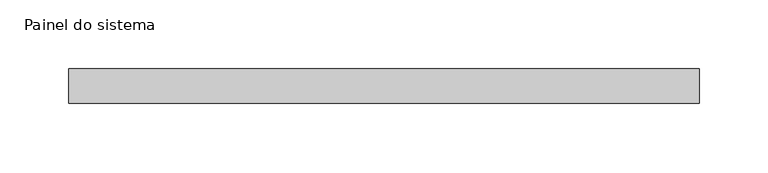
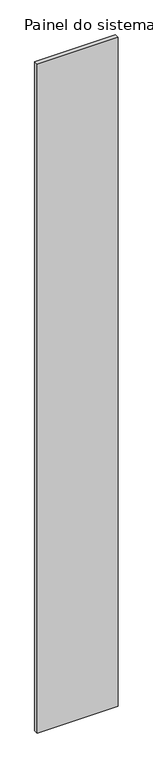
"""IFC4 building model written with IfcOpenShell, lengths in millimetres: plate geometry, Painel do sistema."""

from ifc_helpers import new_model, si_unit, origin, origin_with_axes, place, context, project, spatial, polyline, outline, extrude, source, transform, mapped, element, save


def painel_do_sistema_67e0eee3(model_context):
    return source(origin(), model_context, "Body", "SweptSolid", [
        extrude(outline(polyline([(229.0499998, 24.5), (-229.0499998, 24.5), (-229.0499998, 49.5), (229.0499998, 49.5), (229.0499998, 24.5)])), origin_with_axes(), (0.0, 0.0, 1.0), 4000.0),
    ])


if __name__ == "__main__":
    model = new_model("IFC4")
    model_context = context("Model", 3, world=origin())
    ifc_project = project(units=[si_unit("LENGTHUNIT", "METRE", prefix="MILLI")], contexts=[model_context])
    site = spatial("IfcSite", under=ifc_project)
    building = spatial("IfcBuilding", under=site)
    placement = place(None, origin())
    painel_do_sistema_shape = painel_do_sistema_67e0eee3(model_context)
    element("IfcPlate", 1, ObjectType="Painel do sistema", at=placement, inside=building, context=model_context, shape_type="MappedRepresentation", body=[
        mapped(painel_do_sistema_shape, transform((0.0, 0.0, 0.0), x_axis=(1.0, 0.0, 0.0), y_axis=(0.0, 1.0, 0.0), z_axis=(0.0, 0.0, 1.0))),
    ])
    save(model, "model.ifc")
